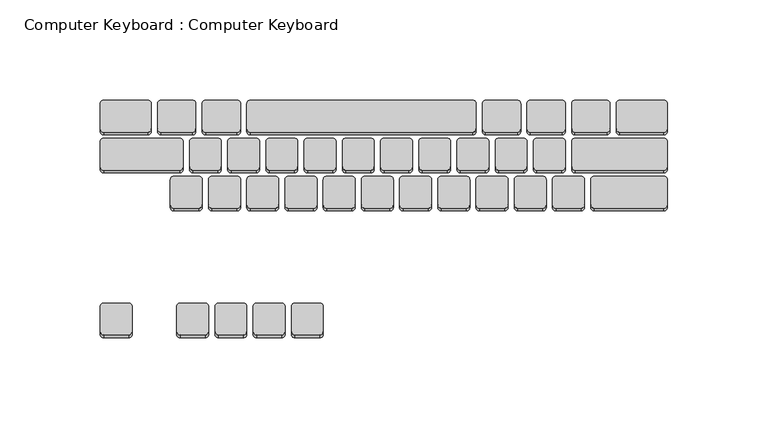
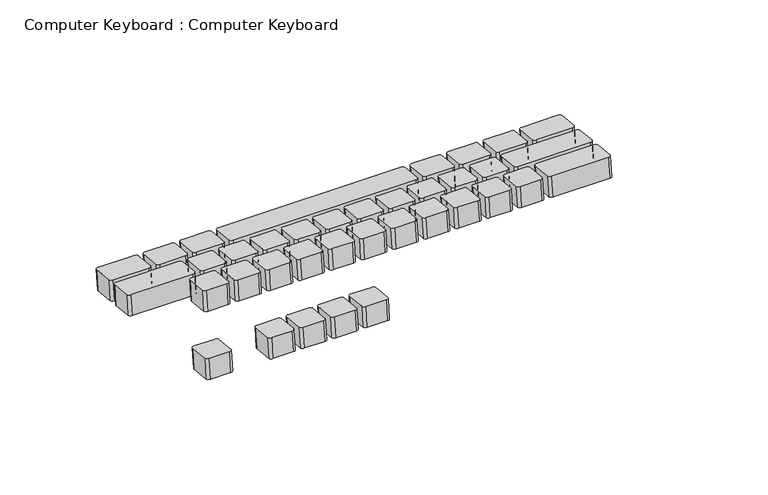
"""IFC4 building model written with IfcOpenShell, lengths in millimetres: proxy geometry, Computer Keyboard : Computer Keyboard."""

from ifc_helpers import new_model, si_unit, point, frame, frame_2d, origin, place, context, project, spatial, polyline, circle_curve, trimmed, segment, composite_curve, outline, extrude, source, transform, mapped, element, save


def computer_keyboard_computer_keyboard_6151e1ea(model_context):
    return source(origin(), model_context, "Body", "SweptSolid", [
        extrude(outline(composite_curve([segment(polyline([(-1.5875, 1.5875), (-1.5875, 14.2875)]), True, "CONTINUOUS"), segment(trimmed(circle_curve(frame_2d((0.0, 14.2875)), 1.5875), [point((-1.5875, 14.2875))], [point((0.0, 15.875))], False, "CARTESIAN"), True, "CONTINUOUS"), segment(polyline([(0.0, 15.875), (12.7, 15.875)]), True, "CONTINUOUS"), segment(trimmed(circle_curve(frame_2d((12.7, 14.2875)), 1.5875), [point((12.7, 15.875))], [point((14.2875, 14.2875))], False, "CARTESIAN"), True, "CONTINUOUS"), segment(polyline([(14.2875, 14.2875), (14.2875, 1.5875)]), True, "CONTINUOUS"), segment(trimmed(circle_curve(frame_2d((12.7, 1.5875)), 1.5875), [point((14.2875, 1.5875))], [point((12.7, 0.0))], False, "CARTESIAN"), True, "CONTINUOUS"), segment(polyline([(12.7, 0.0), (0.0, 0.0)]), True, "CONTINUOUS"), segment(trimmed(circle_curve(frame_2d((0.0, 1.5875)), 1.5875), [point((0.0, 0.0))], [point((-1.5875, 1.5875))], False, "CARTESIAN"), True, "CONTINUOUS")], self_intersect=False)), frame((-240.6875, 227.0615943, 593.6070569), z_axis=(0.0, 0.10653312363427676, 0.9943091539198078), x_axis=(0.0, 0.9943091539198078, -0.10653312363427676)), (0.0, 0.0, 1.0), 12.7),
        extrude(outline(composite_curve([segment(polyline([(-1.5875, 1.5875), (-1.5875, 14.2875)]), True, "CONTINUOUS"), segment(trimmed(circle_curve(frame_2d((0.0, 14.2875)), 1.5875), [point((-1.5875, 14.2875))], [point((0.0, 15.875))], False, "CARTESIAN"), True, "CONTINUOUS"), segment(polyline([(0.0, 15.875), (12.7, 15.875)]), True, "CONTINUOUS"), segment(trimmed(circle_curve(frame_2d((12.7, 14.2875)), 1.5875), [point((12.7, 15.875))], [point((14.2875, 14.2875))], False, "CARTESIAN"), True, "CONTINUOUS"), segment(polyline([(14.2875, 14.2875), (14.2875, 1.5875)]), True, "CONTINUOUS"), segment(trimmed(circle_curve(frame_2d((12.7, 1.5875)), 1.5875), [point((14.2875, 1.5875))], [point((12.7, 0.0))], False, "CARTESIAN"), True, "CONTINUOUS"), segment(polyline([(12.7, 0.0), (0.0, 0.0)]), True, "CONTINUOUS"), segment(trimmed(circle_curve(frame_2d((0.0, 1.5875)), 1.5875), [point((0.0, 0.0))], [point((-1.5875, 1.5875))], False, "CARTESIAN"), True, "CONTINUOUS")], self_intersect=False)), frame((-259.7375, 227.0615943, 593.6070569), z_axis=(0.0, 0.10653312363427676, 0.9943091539198078), x_axis=(0.0, 0.9943091539198078, -0.10653312363427676)), (0.0, 0.0, 1.0), 12.7),
        extrude(outline(composite_curve([segment(polyline([(-1.5875, 1.5875), (-1.5875, 14.2875)]), True, "CONTINUOUS"), segment(trimmed(circle_curve(frame_2d((0.0, 14.2875)), 1.5875), [point((-1.5875, 14.2875))], [point((0.0, 15.875))], False, "CARTESIAN"), True, "CONTINUOUS"), segment(polyline([(0.0, 15.875), (12.7, 15.875)]), True, "CONTINUOUS"), segment(trimmed(circle_curve(frame_2d((12.7, 14.2875)), 1.5875), [point((12.7, 15.875))], [point((14.2875, 14.2875))], False, "CARTESIAN"), True, "CONTINUOUS"), segment(polyline([(14.2875, 14.2875), (14.2875, 1.5875)]), True, "CONTINUOUS"), segment(trimmed(circle_curve(frame_2d((12.7, 1.5875)), 1.5875), [point((14.2875, 1.5875))], [point((12.7, 0.0))], False, "CARTESIAN"), True, "CONTINUOUS"), segment(polyline([(12.7, 0.0), (0.0, 0.0)]), True, "CONTINUOUS"), segment(trimmed(circle_curve(frame_2d((0.0, 1.5875)), 1.5875), [point((0.0, 0.0))], [point((-1.5875, 1.5875))], False, "CARTESIAN"), True, "CONTINUOUS")], self_intersect=False)), frame((-278.7875, 227.0615943, 593.6070569), z_axis=(0.0, 0.10653312363427676, 0.9943091539198078), x_axis=(0.0, 0.9943091539198078, -0.10653312363427676)), (0.0, 0.0, 1.0), 12.7),
        extrude(outline(composite_curve([segment(polyline([(-1.5875, 1.5875), (-1.5875, 14.2875)]), True, "CONTINUOUS"), segment(trimmed(circle_curve(frame_2d((0.0, 14.2875)), 1.5875), [point((-1.5875, 14.2875))], [point((0.0, 15.875))], False, "CARTESIAN"), True, "CONTINUOUS"), segment(polyline([(0.0, 15.875), (12.7, 15.875)]), True, "CONTINUOUS"), segment(trimmed(circle_curve(frame_2d((12.7, 14.2875)), 1.5875), [point((12.7, 15.875))], [point((14.2875, 14.2875))], False, "CARTESIAN"), True, "CONTINUOUS"), segment(polyline([(14.2875, 14.2875), (14.2875, 1.5875)]), True, "CONTINUOUS"), segment(trimmed(circle_curve(frame_2d((12.7, 1.5875)), 1.5875), [point((14.2875, 1.5875))], [point((12.7, 0.0))], False, "CARTESIAN"), True, "CONTINUOUS"), segment(polyline([(12.7, 0.0), (0.0, 0.0)]), True, "CONTINUOUS"), segment(trimmed(circle_curve(frame_2d((0.0, 1.5875)), 1.5875), [point((0.0, 0.0))], [point((-1.5875, 1.5875))], False, "CARTESIAN"), True, "CONTINUOUS")], self_intersect=False)), frame((-297.8375, 227.0615943, 593.6070569), z_axis=(0.0, 0.10653312363427676, 0.9943091539198078), x_axis=(0.0, 0.9943091539198078, -0.10653312363427676)), (0.0, 0.0, 1.0), 12.7),
        extrude(outline(composite_curve([segment(polyline([(-1.5875, 1.5875), (-1.5875, 14.2875)]), True, "CONTINUOUS"), segment(trimmed(circle_curve(frame_2d((0.0, 14.2875)), 1.5875), [point((-1.5875, 14.2875))], [point((0.0, 15.875))], False, "CARTESIAN"), True, "CONTINUOUS"), segment(polyline([(0.0, 15.875), (12.7, 15.875)]), True, "CONTINUOUS"), segment(trimmed(circle_curve(frame_2d((12.7, 14.2875)), 1.5875), [point((12.7, 15.875))], [point((14.2875, 14.2875))], False, "CARTESIAN"), True, "CONTINUOUS"), segment(polyline([(14.2875, 14.2875), (14.2875, 1.5875)]), True, "CONTINUOUS"), segment(trimmed(circle_curve(frame_2d((12.7, 1.5875)), 1.5875), [point((14.2875, 1.5875))], [point((12.7, 0.0))], False, "CARTESIAN"), True, "CONTINUOUS"), segment(polyline([(12.7, 0.0), (0.0, 0.0)]), True, "CONTINUOUS"), segment(trimmed(circle_curve(frame_2d((0.0, 1.5875)), 1.5875), [point((0.0, 0.0))], [point((-1.5875, 1.5875))], False, "CARTESIAN"), True, "CONTINUOUS")], self_intersect=False)), frame((-335.9375, 227.0615943, 593.6070569), z_axis=(0.0, 0.10653312363427676, 0.9943091539198078), x_axis=(0.0, 0.9943091539198078, -0.10653312363427676)), (0.0, 0.0, 1.0), 12.7),
        extrude(outline(composite_curve([segment(trimmed(circle_curve(frame_2d((-3.7645759, 1.5874999)), 1.5875), [point((-3.7645759, 0.0))], [point((-5.3520759, 1.5874999))], False, "CARTESIAN"), True, "CONTINUOUS"), segment(polyline([(-5.3520759, 1.5874999), (-5.3520759, 14.2875)]), True, "CONTINUOUS"), segment(trimmed(circle_curve(frame_2d((-3.7645759, 14.2875)), 1.5875), [point((-5.3520759, 14.2875))], [point((-3.7645759, 15.875))], False, "CARTESIAN"), True, "CONTINUOUS"), segment(polyline([(-3.7645759, 15.875), (12.1104241, 15.875)]), True, "CONTINUOUS"), segment(trimmed(circle_curve(frame_2d((12.1104241, 14.2875)), 1.5875), [point((12.1104241, 15.875))], [point((13.6979241, 14.2875))], False, "CARTESIAN"), True, "CONTINUOUS"), segment(polyline([(13.6979241, 14.2875), (13.6979241, 1.5874999)]), True, "CONTINUOUS"), segment(trimmed(circle_curve(frame_2d((12.1104241, 1.5874999)), 1.5875), [point((13.6979241, 1.5874999))], [point((12.1104241, 0.0))], False, "CARTESIAN"), True, "CONTINUOUS"), segment(polyline([(12.1104241, 0.0), (-3.7645759, 0.0)]), True, "CONTINUOUS")], self_intersect=False)), frame((-155.9604241, 326.5049386, 582.9524129), z_axis=(0.0, 0.10653312363427676, 0.9943091539198078), x_axis=(1.0, 0.0, 0.0)), (0.0, 0.0, 1.0), 12.7),
        extrude(outline(composite_curve([segment(trimmed(circle_curve(frame_2d((-3.7645759, 1.5874999)), 1.5875), [point((-3.7645759, 0.0))], [point((-5.3520759, 1.5874999))], False, "CARTESIAN"), True, "CONTINUOUS"), segment(polyline([(-5.3520759, 1.5874999), (-5.3520759, 14.2875)]), True, "CONTINUOUS"), segment(trimmed(circle_curve(frame_2d((-3.7645759, 14.2875)), 1.5875), [point((-5.3520759, 14.2875))], [point((-3.7645759, 15.875))], False, "CARTESIAN"), True, "CONTINUOUS"), segment(polyline([(-3.7645759, 15.875), (12.1104241, 15.875)]), True, "CONTINUOUS"), segment(trimmed(circle_curve(frame_2d((12.1104241, 14.2875)), 1.5875), [point((12.1104241, 15.875))], [point((13.6979241, 14.2875))], False, "CARTESIAN"), True, "CONTINUOUS"), segment(polyline([(13.6979241, 14.2875), (13.6979241, 1.5874999)]), True, "CONTINUOUS"), segment(trimmed(circle_curve(frame_2d((12.1104241, 1.5874999)), 1.5875), [point((13.6979241, 1.5874999))], [point((12.1104241, 0.0))], False, "CARTESIAN"), True, "CONTINUOUS"), segment(polyline([(12.1104241, 0.0), (-3.7645759, 0.0)]), True, "CONTINUOUS")], self_intersect=False)), frame((-133.7354241, 326.5049386, 582.9524129), z_axis=(0.0, 0.10653312363427676, 0.9943091539198078), x_axis=(1.0, 0.0, 0.0)), (0.0, 0.0, 1.0), 12.7),
        extrude(outline(composite_curve([segment(trimmed(circle_curve(frame_2d((-3.7645759, 1.5874999)), 1.5875), [point((-3.7645759, 0.0))], [point((-5.3520759, 1.5874999))], False, "CARTESIAN"), True, "CONTINUOUS"), segment(polyline([(-5.3520759, 1.5874999), (-5.3520759, 14.2875)]), True, "CONTINUOUS"), segment(trimmed(circle_curve(frame_2d((-3.7645759, 14.2875)), 1.5875), [point((-5.3520759, 14.2875))], [point((-3.7645759, 15.875))], False, "CARTESIAN"), True, "CONTINUOUS"), segment(polyline([(-3.7645759, 15.875), (12.1104241, 15.875)]), True, "CONTINUOUS"), segment(trimmed(circle_curve(frame_2d((12.1104241, 14.2875)), 1.5875), [point((12.1104241, 15.875))], [point((13.6979241, 14.2875))], False, "CARTESIAN"), True, "CONTINUOUS"), segment(polyline([(13.6979241, 14.2875), (13.6979241, 1.5874999)]), True, "CONTINUOUS"), segment(trimmed(circle_curve(frame_2d((12.1104241, 1.5874999)), 1.5875), [point((13.6979241, 1.5874999))], [point((12.1104241, 0.0))], False, "CARTESIAN"), True, "CONTINUOUS"), segment(polyline([(12.1104241, 0.0), (-3.7645759, 0.0)]), True, "CONTINUOUS")], self_intersect=False)), frame((-111.5104241, 326.5049386, 582.9524129), z_axis=(0.0, 0.10653312363427676, 0.9943091539198078), x_axis=(1.0, 0.0, 0.0)), (0.0, 0.0, 1.0), 12.7),
        extrude(outline(composite_curve([segment(polyline([(-1.5874999, 1.5875), (-1.5874999, 23.8125)]), True, "CONTINUOUS"), segment(trimmed(circle_curve(frame_2d((0.0, 23.8125)), 1.5875), [point((-1.5874999, 23.8125))], [point((0.0, 25.4))], False, "CARTESIAN"), True, "CONTINUOUS"), segment(polyline([(0.0, 25.4), (12.7, 25.4)]), True, "CONTINUOUS"), segment(trimmed(circle_curve(frame_2d((12.7, 23.8125)), 1.5875), [point((12.7, 25.4))], [point((14.2875001, 23.8125))], False, "CARTESIAN"), True, "CONTINUOUS"), segment(polyline([(14.2875001, 23.8125), (14.2875001, 1.5875)]), True, "CONTINUOUS"), segment(trimmed(circle_curve(frame_2d((12.7, 1.5875)), 1.5875), [point((14.2875001, 1.5875))], [point((12.7, 0.0))], False, "CARTESIAN"), True, "CONTINUOUS"), segment(polyline([(12.7, 0.0), (0.0, 0.0)]), True, "CONTINUOUS"), segment(trimmed(circle_curve(frame_2d((0.0, 1.5875)), 1.5875), [point((0.0, 0.0))], [point((-1.5874999, 1.5875))], False, "CARTESIAN"), True, "CONTINUOUS")], self_intersect=False)), frame((-69.2375, 328.0834043, 582.7832916), z_axis=(0.0, 0.10653312363427676, 0.9943091539198078), x_axis=(0.0, 0.9943091539198078, -0.10653312363427676)), (0.0, 0.0, 1.0), 12.7),
        extrude(outline(composite_curve([segment(polyline([(-1.5874999, 1.5875), (-1.5874999, 112.7125)]), True, "CONTINUOUS"), segment(trimmed(circle_curve(frame_2d((0.0, 112.7125)), 1.5875), [point((-1.5874999, 112.7125))], [point((0.0, 114.3))], False, "CARTESIAN"), True, "CONTINUOUS"), segment(polyline([(0.0, 114.3), (12.7, 114.3)]), True, "CONTINUOUS"), segment(trimmed(circle_curve(frame_2d((12.7, 112.7125)), 1.5875), [point((12.7, 114.3))], [point((14.2875001, 112.7125))], False, "CARTESIAN"), True, "CONTINUOUS"), segment(polyline([(14.2875001, 112.7125), (14.2875001, 1.5875)]), True, "CONTINUOUS"), segment(trimmed(circle_curve(frame_2d((12.7, 1.5875)), 1.5875), [point((14.2875001, 1.5875))], [point((12.7, 0.0))], False, "CARTESIAN"), True, "CONTINUOUS"), segment(polyline([(12.7, 0.0), (0.0, 0.0)]), True, "CONTINUOUS"), segment(trimmed(circle_curve(frame_2d((0.0, 1.5875)), 1.5875), [point((0.0, 0.0))], [point((-1.5874999, 1.5875))], False, "CARTESIAN"), True, "CONTINUOUS")], self_intersect=False)), frame((-164.4875, 328.0834043, 582.7832916), z_axis=(0.0, 0.10653312363427676, 0.9943091539198078), x_axis=(0.0, 0.9943091539198078, -0.10653312363427676)), (0.0, 0.0, 1.0), 12.7),
        extrude(outline(composite_curve([segment(polyline([(-1.5874999, 1.5875), (-1.5874999, 17.4625)]), True, "CONTINUOUS"), segment(trimmed(circle_curve(frame_2d((0.0, 17.4625)), 1.5875), [point((-1.5874999, 17.4625))], [point((0.0, 19.05))], False, "CARTESIAN"), True, "CONTINUOUS"), segment(polyline([(0.0, 19.05), (12.7, 19.05)]), True, "CONTINUOUS"), segment(trimmed(circle_curve(frame_2d((12.7, 17.4625)), 1.5875), [point((12.7, 19.05))], [point((14.2875001, 17.4625))], False, "CARTESIAN"), True, "CONTINUOUS"), segment(polyline([(14.2875001, 17.4625), (14.2875001, 1.5875)]), True, "CONTINUOUS"), segment(trimmed(circle_curve(frame_2d((12.7, 1.5875)), 1.5875), [point((14.2875001, 1.5875))], [point((12.7, 0.0))], False, "CARTESIAN"), True, "CONTINUOUS"), segment(polyline([(12.7, 0.0), (0.0, 0.0)]), True, "CONTINUOUS"), segment(trimmed(circle_curve(frame_2d((0.0, 1.5875)), 1.5875), [point((0.0, 0.0))], [point((-1.5874999, 1.5875))], False, "CARTESIAN"), True, "CONTINUOUS")], self_intersect=False)), frame((-281.9625, 328.0834043, 582.7832916), z_axis=(0.0, 0.10653312363427676, 0.9943091539198078), x_axis=(0.0, 0.9943091539198078, -0.10653312363427676)), (0.0, 0.0, 1.0), 12.7),
        extrude(outline(composite_curve([segment(polyline([(-1.5874999, 1.5875), (-1.5874999, 17.4625)]), True, "CONTINUOUS"), segment(trimmed(circle_curve(frame_2d((0.0, 17.4625)), 1.5875), [point((-1.5874999, 17.4625))], [point((0.0, 19.05))], False, "CARTESIAN"), True, "CONTINUOUS"), segment(polyline([(0.0, 19.05), (12.7, 19.05)]), True, "CONTINUOUS"), segment(trimmed(circle_curve(frame_2d((12.7, 17.4625)), 1.5875), [point((12.7, 19.05))], [point((14.2875001, 17.4625))], False, "CARTESIAN"), True, "CONTINUOUS"), segment(polyline([(14.2875001, 17.4625), (14.2875001, 1.5875)]), True, "CONTINUOUS"), segment(trimmed(circle_curve(frame_2d((12.7, 1.5875)), 1.5875), [point((14.2875001, 1.5875))], [point((12.7, 0.0))], False, "CARTESIAN"), True, "CONTINUOUS"), segment(polyline([(12.7, 0.0), (0.0, 0.0)]), True, "CONTINUOUS"), segment(trimmed(circle_curve(frame_2d((0.0, 1.5875)), 1.5875), [point((0.0, 0.0))], [point((-1.5874999, 1.5875))], False, "CARTESIAN"), True, "CONTINUOUS")], self_intersect=False)), frame((-304.1875, 328.0834043, 582.7832916), z_axis=(0.0, 0.10653312363427676, 0.9943091539198078), x_axis=(0.0, 0.9943091539198078, -0.10653312363427676)), (0.0, 0.0, 1.0), 12.7),
        extrude(outline(composite_curve([segment(polyline([(-1.5874999, 1.5875), (-1.5874999, 23.8125)]), True, "CONTINUOUS"), segment(trimmed(circle_curve(frame_2d((0.0, 23.8125)), 1.5875), [point((-1.5874999, 23.8125))], [point((0.0, 25.4))], False, "CARTESIAN"), True, "CONTINUOUS"), segment(polyline([(0.0, 25.4), (12.7, 25.4)]), True, "CONTINUOUS"), segment(trimmed(circle_curve(frame_2d((12.7, 23.8125)), 1.5875), [point((12.7, 25.4))], [point((14.2875001, 23.8125))], False, "CARTESIAN"), True, "CONTINUOUS"), segment(polyline([(14.2875001, 23.8125), (14.2875001, 1.5875)]), True, "CONTINUOUS"), segment(trimmed(circle_curve(frame_2d((12.7, 1.5875)), 1.5875), [point((14.2875001, 1.5875))], [point((12.7, 0.0))], False, "CARTESIAN"), True, "CONTINUOUS"), segment(polyline([(12.7, 0.0), (0.0, 0.0)]), True, "CONTINUOUS"), segment(trimmed(circle_curve(frame_2d((0.0, 1.5875)), 1.5875), [point((0.0, 0.0))], [point((-1.5874999, 1.5875))], False, "CARTESIAN"), True, "CONTINUOUS")], self_intersect=False)), frame((-326.4125, 328.0834043, 582.7832916), z_axis=(0.0, 0.10653312363427676, 0.9943091539198078), x_axis=(0.0, 0.9943091539198078, -0.10653312363427676)), (0.0, 0.0, 1.0), 12.7),
        extrude(outline(composite_curve([segment(polyline([(-1.5875, 1.5875), (-1.5875, 46.0375)]), True, "CONTINUOUS"), segment(trimmed(circle_curve(frame_2d((0.0, 46.0375)), 1.5875), [point((-1.5875, 46.0375))], [point((0.0, 47.625))], False, "CARTESIAN"), True, "CONTINUOUS"), segment(polyline([(0.0, 47.625), (12.6999999, 47.625)]), True, "CONTINUOUS"), segment(trimmed(circle_curve(frame_2d((12.6999999, 46.0375)), 1.5875), [point((12.6999999, 47.625))], [point((14.2875, 46.0375))], False, "CARTESIAN"), True, "CONTINUOUS"), segment(polyline([(14.2875, 46.0375), (14.2875, 1.5875)]), True, "CONTINUOUS"), segment(trimmed(circle_curve(frame_2d((12.6999999, 1.5875)), 1.5875), [point((14.2875, 1.5875))], [point((12.6999999, 0.0))], False, "CARTESIAN"), True, "CONTINUOUS"), segment(polyline([(12.6999999, 0.0), (0.0, 0.0)]), True, "CONTINUOUS"), segment(trimmed(circle_curve(frame_2d((0.0, 1.5875)), 1.5875), [point((0.0, 0.0))], [point((-1.5875, 1.5875))], False, "CARTESIAN"), True, "CONTINUOUS")], self_intersect=False)), frame((-69.2375, 309.141815, 584.8127476), z_axis=(0.0, 0.10653312363427676, 0.9943091539198078), x_axis=(0.0, 0.9943091539198078, -0.10653312363427676)), (0.0, 0.0, 1.0), 12.7),
        extrude(outline(composite_curve([segment(polyline([(-1.5875, 1.5875), (-1.5875, 14.2875)]), True, "CONTINUOUS"), segment(trimmed(circle_curve(frame_2d((0.0, 14.2875)), 1.5875), [point((-1.5875, 14.2875))], [point((0.0, 15.875))], False, "CARTESIAN"), True, "CONTINUOUS"), segment(polyline([(0.0, 15.875), (12.6999999, 15.875)]), True, "CONTINUOUS"), segment(trimmed(circle_curve(frame_2d((12.6999999, 14.2875)), 1.5875), [point((12.6999999, 15.875))], [point((14.2875, 14.2875))], False, "CARTESIAN"), True, "CONTINUOUS"), segment(polyline([(14.2875, 14.2875), (14.2875, 1.5875)]), True, "CONTINUOUS"), segment(trimmed(circle_curve(frame_2d((12.6999999, 1.5875)), 1.5875), [point((14.2875, 1.5875))], [point((12.6999999, 0.0))], False, "CARTESIAN"), True, "CONTINUOUS"), segment(polyline([(12.6999999, 0.0), (0.0, 0.0)]), True, "CONTINUOUS"), segment(trimmed(circle_curve(frame_2d((0.0, 1.5875)), 1.5875), [point((0.0, 0.0))], [point((-1.5875, 1.5875))], False, "CARTESIAN"), True, "CONTINUOUS")], self_intersect=False)), frame((-120.0375, 309.141815, 584.8127476), z_axis=(0.0, 0.10653312363427676, 0.9943091539198078), x_axis=(0.0, 0.9943091539198078, -0.10653312363427676)), (0.0, 0.0, 1.0), 12.7),
        extrude(outline(composite_curve([segment(polyline([(-1.5875, 1.5875), (-1.5875, 14.2875)]), True, "CONTINUOUS"), segment(trimmed(circle_curve(frame_2d((0.0, 14.2875)), 1.5875), [point((-1.5875, 14.2875))], [point((0.0, 15.875))], False, "CARTESIAN"), True, "CONTINUOUS"), segment(polyline([(0.0, 15.875), (12.6999999, 15.875)]), True, "CONTINUOUS"), segment(trimmed(circle_curve(frame_2d((12.6999999, 14.2875)), 1.5875), [point((12.6999999, 15.875))], [point((14.2875, 14.2875))], False, "CARTESIAN"), True, "CONTINUOUS"), segment(polyline([(14.2875, 14.2875), (14.2875, 1.5875)]), True, "CONTINUOUS"), segment(trimmed(circle_curve(frame_2d((12.6999999, 1.5875)), 1.5875), [point((14.2875, 1.5875))], [point((12.6999999, 0.0))], False, "CARTESIAN"), True, "CONTINUOUS"), segment(polyline([(12.6999999, 0.0), (0.0, 0.0)]), True, "CONTINUOUS"), segment(trimmed(circle_curve(frame_2d((0.0, 1.5875)), 1.5875), [point((0.0, 0.0))], [point((-1.5875, 1.5875))], False, "CARTESIAN"), True, "CONTINUOUS")], self_intersect=False)), frame((-139.0875, 309.141815, 584.8127476), z_axis=(0.0, 0.10653312363427676, 0.9943091539198078), x_axis=(0.0, 0.9943091539198078, -0.10653312363427676)), (0.0, 0.0, 1.0), 12.7),
        extrude(outline(composite_curve([segment(polyline([(-1.5875, 1.5875), (-1.5875, 14.2875)]), True, "CONTINUOUS"), segment(trimmed(circle_curve(frame_2d((0.0, 14.2875)), 1.5875), [point((-1.5875, 14.2875))], [point((0.0, 15.875))], False, "CARTESIAN"), True, "CONTINUOUS"), segment(polyline([(0.0, 15.875), (12.6999999, 15.875)]), True, "CONTINUOUS"), segment(trimmed(circle_curve(frame_2d((12.6999999, 14.2875)), 1.5875), [point((12.6999999, 15.875))], [point((14.2875, 14.2875))], False, "CARTESIAN"), True, "CONTINUOUS"), segment(polyline([(14.2875, 14.2875), (14.2875, 1.5875)]), True, "CONTINUOUS"), segment(trimmed(circle_curve(frame_2d((12.6999999, 1.5875)), 1.5875), [point((14.2875, 1.5875))], [point((12.6999999, 0.0))], False, "CARTESIAN"), True, "CONTINUOUS"), segment(polyline([(12.6999999, 0.0), (0.0, 0.0)]), True, "CONTINUOUS"), segment(trimmed(circle_curve(frame_2d((0.0, 1.5875)), 1.5875), [point((0.0, 0.0))], [point((-1.5875, 1.5875))], False, "CARTESIAN"), True, "CONTINUOUS")], self_intersect=False)), frame((-158.1375, 309.141815, 584.8127476), z_axis=(0.0, 0.10653312363427676, 0.9943091539198078), x_axis=(0.0, 0.9943091539198078, -0.10653312363427676)), (0.0, 0.0, 1.0), 12.7),
        extrude(outline(composite_curve([segment(polyline([(-1.5875, 1.5875), (-1.5875, 14.2875)]), True, "CONTINUOUS"), segment(trimmed(circle_curve(frame_2d((0.0, 14.2875)), 1.5875), [point((-1.5875, 14.2875))], [point((0.0, 15.875))], False, "CARTESIAN"), True, "CONTINUOUS"), segment(polyline([(0.0, 15.875), (12.6999999, 15.875)]), True, "CONTINUOUS"), segment(trimmed(circle_curve(frame_2d((12.6999999, 14.2875)), 1.5875), [point((12.6999999, 15.875))], [point((14.2875, 14.2875))], False, "CARTESIAN"), True, "CONTINUOUS"), segment(polyline([(14.2875, 14.2875), (14.2875, 1.5875)]), True, "CONTINUOUS"), segment(trimmed(circle_curve(frame_2d((12.6999999, 1.5875)), 1.5875), [point((14.2875, 1.5875))], [point((12.6999999, 0.0))], False, "CARTESIAN"), True, "CONTINUOUS"), segment(polyline([(12.6999999, 0.0), (0.0, 0.0)]), True, "CONTINUOUS"), segment(trimmed(circle_curve(frame_2d((0.0, 1.5875)), 1.5875), [point((0.0, 0.0))], [point((-1.5875, 1.5875))], False, "CARTESIAN"), True, "CONTINUOUS")], self_intersect=False)), frame((-177.1875, 309.141815, 584.8127476), z_axis=(0.0, 0.10653312363427676, 0.9943091539198078), x_axis=(0.0, 0.9943091539198078, -0.10653312363427676)), (0.0, 0.0, 1.0), 12.7),
        extrude(outline(composite_curve([segment(polyline([(-1.5875, 1.5875), (-1.5875, 14.2875)]), True, "CONTINUOUS"), segment(trimmed(circle_curve(frame_2d((0.0, 14.2875)), 1.5875), [point((-1.5875, 14.2875))], [point((0.0, 15.875))], False, "CARTESIAN"), True, "CONTINUOUS"), segment(polyline([(0.0, 15.875), (12.6999999, 15.875)]), True, "CONTINUOUS"), segment(trimmed(circle_curve(frame_2d((12.6999999, 14.2875)), 1.5875), [point((12.6999999, 15.875))], [point((14.2875, 14.2875))], False, "CARTESIAN"), True, "CONTINUOUS"), segment(polyline([(14.2875, 14.2875), (14.2875, 1.5875)]), True, "CONTINUOUS"), segment(trimmed(circle_curve(frame_2d((12.6999999, 1.5875)), 1.5875), [point((14.2875, 1.5875))], [point((12.6999999, 0.0))], False, "CARTESIAN"), True, "CONTINUOUS"), segment(polyline([(12.6999999, 0.0), (0.0, 0.0)]), True, "CONTINUOUS"), segment(trimmed(circle_curve(frame_2d((0.0, 1.5875)), 1.5875), [point((0.0, 0.0))], [point((-1.5875, 1.5875))], False, "CARTESIAN"), True, "CONTINUOUS")], self_intersect=False)), frame((-196.2375, 309.141815, 584.8127476), z_axis=(0.0, 0.10653312363427676, 0.9943091539198078), x_axis=(0.0, 0.9943091539198078, -0.10653312363427676)), (0.0, 0.0, 1.0), 12.7),
        extrude(outline(composite_curve([segment(polyline([(-1.5875, 1.5875), (-1.5875, 14.2875)]), True, "CONTINUOUS"), segment(trimmed(circle_curve(frame_2d((0.0, 14.2875)), 1.5875), [point((-1.5875, 14.2875))], [point((0.0, 15.875))], False, "CARTESIAN"), True, "CONTINUOUS"), segment(polyline([(0.0, 15.875), (12.6999999, 15.875)]), True, "CONTINUOUS"), segment(trimmed(circle_curve(frame_2d((12.6999999, 14.2875)), 1.5875), [point((12.6999999, 15.875))], [point((14.2875, 14.2875))], False, "CARTESIAN"), True, "CONTINUOUS"), segment(polyline([(14.2875, 14.2875), (14.2875, 1.5875)]), True, "CONTINUOUS"), segment(trimmed(circle_curve(frame_2d((12.6999999, 1.5875)), 1.5875), [point((14.2875, 1.5875))], [point((12.6999999, 0.0))], False, "CARTESIAN"), True, "CONTINUOUS"), segment(polyline([(12.6999999, 0.0), (0.0, 0.0)]), True, "CONTINUOUS"), segment(trimmed(circle_curve(frame_2d((0.0, 1.5875)), 1.5875), [point((0.0, 0.0))], [point((-1.5875, 1.5875))], False, "CARTESIAN"), True, "CONTINUOUS")], self_intersect=False)), frame((-215.2875, 309.141815, 584.8127476), z_axis=(0.0, 0.10653312363427676, 0.9943091539198078), x_axis=(0.0, 0.9943091539198078, -0.10653312363427676)), (0.0, 0.0, 1.0), 12.7),
        extrude(outline(composite_curve([segment(polyline([(-1.5875, 1.5875), (-1.5875, 14.2875)]), True, "CONTINUOUS"), segment(trimmed(circle_curve(frame_2d((0.0, 14.2875)), 1.5875), [point((-1.5875, 14.2875))], [point((0.0, 15.875))], False, "CARTESIAN"), True, "CONTINUOUS"), segment(polyline([(0.0, 15.875), (12.6999999, 15.875)]), True, "CONTINUOUS"), segment(trimmed(circle_curve(frame_2d((12.6999999, 14.2875)), 1.5875), [point((12.6999999, 15.875))], [point((14.2875, 14.2875))], False, "CARTESIAN"), True, "CONTINUOUS"), segment(polyline([(14.2875, 14.2875), (14.2875, 1.5875)]), True, "CONTINUOUS"), segment(trimmed(circle_curve(frame_2d((12.6999999, 1.5875)), 1.5875), [point((14.2875, 1.5875))], [point((12.6999999, 0.0))], False, "CARTESIAN"), True, "CONTINUOUS"), segment(polyline([(12.6999999, 0.0), (0.0, 0.0)]), True, "CONTINUOUS"), segment(trimmed(circle_curve(frame_2d((0.0, 1.5875)), 1.5875), [point((0.0, 0.0))], [point((-1.5875, 1.5875))], False, "CARTESIAN"), True, "CONTINUOUS")], self_intersect=False)), frame((-234.3375, 309.141815, 584.8127476), z_axis=(0.0, 0.10653312363427676, 0.9943091539198078), x_axis=(0.0, 0.9943091539198078, -0.10653312363427676)), (0.0, 0.0, 1.0), 12.7),
        extrude(outline(composite_curve([segment(polyline([(-1.5875, 1.5875), (-1.5875, 14.2875)]), True, "CONTINUOUS"), segment(trimmed(circle_curve(frame_2d((0.0, 14.2875)), 1.5875), [point((-1.5875, 14.2875))], [point((0.0, 15.875))], False, "CARTESIAN"), True, "CONTINUOUS"), segment(polyline([(0.0, 15.875), (12.6999999, 15.875)]), True, "CONTINUOUS"), segment(trimmed(circle_curve(frame_2d((12.6999999, 14.2875)), 1.5875), [point((12.6999999, 15.875))], [point((14.2875, 14.2875))], False, "CARTESIAN"), True, "CONTINUOUS"), segment(polyline([(14.2875, 14.2875), (14.2875, 1.5875)]), True, "CONTINUOUS"), segment(trimmed(circle_curve(frame_2d((12.6999999, 1.5875)), 1.5875), [point((14.2875, 1.5875))], [point((12.6999999, 0.0))], False, "CARTESIAN"), True, "CONTINUOUS"), segment(polyline([(12.6999999, 0.0), (0.0, 0.0)]), True, "CONTINUOUS"), segment(trimmed(circle_curve(frame_2d((0.0, 1.5875)), 1.5875), [point((0.0, 0.0))], [point((-1.5875, 1.5875))], False, "CARTESIAN"), True, "CONTINUOUS")], self_intersect=False)), frame((-253.3875, 309.141815, 584.8127476), z_axis=(0.0, 0.10653312363427676, 0.9943091539198078), x_axis=(0.0, 0.9943091539198078, -0.10653312363427676)), (0.0, 0.0, 1.0), 12.7),
        extrude(outline(composite_curve([segment(polyline([(-1.5875, 1.5875), (-1.5875, 14.2875)]), True, "CONTINUOUS"), segment(trimmed(circle_curve(frame_2d((0.0, 14.2875)), 1.5875), [point((-1.5875, 14.2875))], [point((0.0, 15.875))], False, "CARTESIAN"), True, "CONTINUOUS"), segment(polyline([(0.0, 15.875), (12.6999999, 15.875)]), True, "CONTINUOUS"), segment(trimmed(circle_curve(frame_2d((12.6999999, 14.2875)), 1.5875), [point((12.6999999, 15.875))], [point((14.2875, 14.2875))], False, "CARTESIAN"), True, "CONTINUOUS"), segment(polyline([(14.2875, 14.2875), (14.2875, 1.5875)]), True, "CONTINUOUS"), segment(trimmed(circle_curve(frame_2d((12.6999999, 1.5875)), 1.5875), [point((14.2875, 1.5875))], [point((12.6999999, 0.0))], False, "CARTESIAN"), True, "CONTINUOUS"), segment(polyline([(12.6999999, 0.0), (0.0, 0.0)]), True, "CONTINUOUS"), segment(trimmed(circle_curve(frame_2d((0.0, 1.5875)), 1.5875), [point((0.0, 0.0))], [point((-1.5875, 1.5875))], False, "CARTESIAN"), True, "CONTINUOUS")], self_intersect=False)), frame((-272.4375, 309.141815, 584.8127476), z_axis=(0.0, 0.10653312363427676, 0.9943091539198078), x_axis=(0.0, 0.9943091539198078, -0.10653312363427676)), (0.0, 0.0, 1.0), 12.7),
        extrude(outline(composite_curve([segment(polyline([(-1.5875, 1.5875), (-1.5875, 14.2875)]), True, "CONTINUOUS"), segment(trimmed(circle_curve(frame_2d((0.0, 14.2875)), 1.5875), [point((-1.5875, 14.2875))], [point((0.0, 15.875))], False, "CARTESIAN"), True, "CONTINUOUS"), segment(polyline([(0.0, 15.875), (12.6999999, 15.875)]), True, "CONTINUOUS"), segment(trimmed(circle_curve(frame_2d((12.6999999, 14.2875)), 1.5875), [point((12.6999999, 15.875))], [point((14.2875, 14.2875))], False, "CARTESIAN"), True, "CONTINUOUS"), segment(polyline([(14.2875, 14.2875), (14.2875, 1.5875)]), True, "CONTINUOUS"), segment(trimmed(circle_curve(frame_2d((12.6999999, 1.5875)), 1.5875), [point((14.2875, 1.5875))], [point((12.6999999, 0.0))], False, "CARTESIAN"), True, "CONTINUOUS"), segment(polyline([(12.6999999, 0.0), (0.0, 0.0)]), True, "CONTINUOUS"), segment(trimmed(circle_curve(frame_2d((0.0, 1.5875)), 1.5875), [point((0.0, 0.0))], [point((-1.5875, 1.5875))], False, "CARTESIAN"), True, "CONTINUOUS")], self_intersect=False)), frame((-291.4875, 309.141815, 584.8127476), z_axis=(0.0, 0.10653312363427676, 0.9943091539198078), x_axis=(0.0, 0.9943091539198078, -0.10653312363427676)), (0.0, 0.0, 1.0), 12.7),
        extrude(outline(composite_curve([segment(polyline([(-1.5875, 1.5875), (-1.5875, 39.6875)]), True, "CONTINUOUS"), segment(trimmed(circle_curve(frame_2d((0.0, 39.6875)), 1.5875), [point((-1.5875, 39.6875))], [point((0.0, 41.275))], False, "CARTESIAN"), True, "CONTINUOUS"), segment(polyline([(0.0, 41.275), (12.6999999, 41.275)]), True, "CONTINUOUS"), segment(trimmed(circle_curve(frame_2d((12.6999999, 39.6875)), 1.5875), [point((12.6999999, 41.275))], [point((14.2875, 39.6875))], False, "CARTESIAN"), True, "CONTINUOUS"), segment(polyline([(14.2875, 39.6875), (14.2875, 1.5875)]), True, "CONTINUOUS"), segment(trimmed(circle_curve(frame_2d((12.6999999, 1.5875)), 1.5875), [point((14.2875, 1.5875))], [point((12.6999999, 0.0))], False, "CARTESIAN"), True, "CONTINUOUS"), segment(polyline([(12.6999999, 0.0), (0.0, 0.0)]), True, "CONTINUOUS"), segment(trimmed(circle_curve(frame_2d((0.0, 1.5875)), 1.5875), [point((0.0, 0.0))], [point((-1.5875, 1.5875))], False, "CARTESIAN"), True, "CONTINUOUS")], self_intersect=False)), frame((-310.5375, 309.141815, 584.8127476), z_axis=(0.0, 0.10653312363427676, 0.9943091539198078), x_axis=(0.0, 0.9943091539198078, -0.10653312363427676)), (0.0, 0.0, 1.0), 12.7),
        extrude(outline(composite_curve([segment(polyline([(-1.5875, 1.5875), (-1.5875, 36.5125)]), True, "CONTINUOUS"), segment(trimmed(circle_curve(frame_2d((0.0, 36.5125)), 1.5875), [point((-1.5875, 36.5125))], [point((0.0, 38.1))], False, "CARTESIAN"), True, "CONTINUOUS"), segment(polyline([(0.0, 38.1), (12.6999999, 38.1)]), True, "CONTINUOUS"), segment(trimmed(circle_curve(frame_2d((12.6999999, 36.5125)), 1.5875), [point((12.6999999, 38.1))], [point((14.2875, 36.5125))], False, "CARTESIAN"), True, "CONTINUOUS"), segment(polyline([(14.2875, 36.5125), (14.2875, 1.5875)]), True, "CONTINUOUS"), segment(trimmed(circle_curve(frame_2d((12.6999999, 1.5875)), 1.5875), [point((14.2875, 1.5875))], [point((12.6999999, 0.0))], False, "CARTESIAN"), True, "CONTINUOUS"), segment(polyline([(12.6999999, 0.0), (0.0, 0.0)]), True, "CONTINUOUS"), segment(trimmed(circle_curve(frame_2d((0.0, 1.5875)), 1.5875), [point((0.0, 0.0))], [point((-1.5875, 1.5875))], False, "CARTESIAN"), True, "CONTINUOUS")], self_intersect=False)), frame((-69.2375, 290.2002256, 586.8422036), z_axis=(0.0, 0.10653312363427676, 0.9943091539198078), x_axis=(0.0, 0.9943091539198078, -0.10653312363427676)), (0.0, 0.0, 1.0), 12.7),
        extrude(outline(composite_curve([segment(polyline([(-1.5875, 1.5875), (-1.5875, 14.2875)]), True, "CONTINUOUS"), segment(trimmed(circle_curve(frame_2d((0.0, 14.2875)), 1.5875), [point((-1.5875, 14.2875))], [point((0.0, 15.875))], False, "CARTESIAN"), True, "CONTINUOUS"), segment(polyline([(0.0, 15.875), (12.6999999, 15.875)]), True, "CONTINUOUS"), segment(trimmed(circle_curve(frame_2d((12.6999999, 14.2875)), 1.5875), [point((12.6999999, 15.875))], [point((14.2875, 14.2875))], False, "CARTESIAN"), True, "CONTINUOUS"), segment(polyline([(14.2875, 14.2875), (14.2875, 1.5875)]), True, "CONTINUOUS"), segment(trimmed(circle_curve(frame_2d((12.6999999, 1.5875)), 1.5875), [point((14.2875, 1.5875))], [point((12.6999999, 0.0))], False, "CARTESIAN"), True, "CONTINUOUS"), segment(polyline([(12.6999999, 0.0), (0.0, 0.0)]), True, "CONTINUOUS"), segment(trimmed(circle_curve(frame_2d((0.0, 1.5875)), 1.5875), [point((0.0, 0.0))], [point((-1.5875, 1.5875))], False, "CARTESIAN"), True, "CONTINUOUS")], self_intersect=False)), frame((-110.5125, 290.2002256, 586.8422036), z_axis=(0.0, 0.10653312363427676, 0.9943091539198078), x_axis=(0.0, 0.9943091539198078, -0.10653312363427676)), (0.0, 0.0, 1.0), 12.7),
        extrude(outline(composite_curve([segment(polyline([(-1.5875, 1.5875), (-1.5875, 14.2875)]), True, "CONTINUOUS"), segment(trimmed(circle_curve(frame_2d((0.0, 14.2875)), 1.5875), [point((-1.5875, 14.2875))], [point((0.0, 15.875))], False, "CARTESIAN"), True, "CONTINUOUS"), segment(polyline([(0.0, 15.875), (12.6999999, 15.875)]), True, "CONTINUOUS"), segment(trimmed(circle_curve(frame_2d((12.6999999, 14.2875)), 1.5875), [point((12.6999999, 15.875))], [point((14.2875, 14.2875))], False, "CARTESIAN"), True, "CONTINUOUS"), segment(polyline([(14.2875, 14.2875), (14.2875, 1.5875)]), True, "CONTINUOUS"), segment(trimmed(circle_curve(frame_2d((12.6999999, 1.5875)), 1.5875), [point((14.2875, 1.5875))], [point((12.6999999, 0.0))], False, "CARTESIAN"), True, "CONTINUOUS"), segment(polyline([(12.6999999, 0.0), (0.0, 0.0)]), True, "CONTINUOUS"), segment(trimmed(circle_curve(frame_2d((0.0, 1.5875)), 1.5875), [point((0.0, 0.0))], [point((-1.5875, 1.5875))], False, "CARTESIAN"), True, "CONTINUOUS")], self_intersect=False)), frame((-129.5625, 290.2002256, 586.8422036), z_axis=(0.0, 0.10653312363427676, 0.9943091539198078), x_axis=(0.0, 0.9943091539198078, -0.10653312363427676)), (0.0, 0.0, 1.0), 12.7),
        extrude(outline(composite_curve([segment(polyline([(-1.5875, 1.5875), (-1.5875, 14.2875)]), True, "CONTINUOUS"), segment(trimmed(circle_curve(frame_2d((0.0, 14.2875)), 1.5875), [point((-1.5875, 14.2875))], [point((0.0, 15.875))], False, "CARTESIAN"), True, "CONTINUOUS"), segment(polyline([(0.0, 15.875), (12.6999999, 15.875)]), True, "CONTINUOUS"), segment(trimmed(circle_curve(frame_2d((12.6999999, 14.2875)), 1.5875), [point((12.6999999, 15.875))], [point((14.2875, 14.2875))], False, "CARTESIAN"), True, "CONTINUOUS"), segment(polyline([(14.2875, 14.2875), (14.2875, 1.5875)]), True, "CONTINUOUS"), segment(trimmed(circle_curve(frame_2d((12.6999999, 1.5875)), 1.5875), [point((14.2875, 1.5875))], [point((12.6999999, 0.0))], False, "CARTESIAN"), True, "CONTINUOUS"), segment(polyline([(12.6999999, 0.0), (0.0, 0.0)]), True, "CONTINUOUS"), segment(trimmed(circle_curve(frame_2d((0.0, 1.5875)), 1.5875), [point((0.0, 0.0))], [point((-1.5875, 1.5875))], False, "CARTESIAN"), True, "CONTINUOUS")], self_intersect=False)), frame((-148.6125, 290.2002256, 586.8422036), z_axis=(0.0, 0.10653312363427676, 0.9943091539198078), x_axis=(0.0, 0.9943091539198078, -0.10653312363427676)), (0.0, 0.0, 1.0), 12.7),
        extrude(outline(composite_curve([segment(polyline([(-1.5875, 1.5875), (-1.5875, 14.2875)]), True, "CONTINUOUS"), segment(trimmed(circle_curve(frame_2d((0.0, 14.2875)), 1.5875), [point((-1.5875, 14.2875))], [point((0.0, 15.875))], False, "CARTESIAN"), True, "CONTINUOUS"), segment(polyline([(0.0, 15.875), (12.6999999, 15.875)]), True, "CONTINUOUS"), segment(trimmed(circle_curve(frame_2d((12.6999999, 14.2875)), 1.5875), [point((12.6999999, 15.875))], [point((14.2875, 14.2875))], False, "CARTESIAN"), True, "CONTINUOUS"), segment(polyline([(14.2875, 14.2875), (14.2875, 1.5875)]), True, "CONTINUOUS"), segment(trimmed(circle_curve(frame_2d((12.6999999, 1.5875)), 1.5875), [point((14.2875, 1.5875))], [point((12.6999999, 0.0))], False, "CARTESIAN"), True, "CONTINUOUS"), segment(polyline([(12.6999999, 0.0), (0.0, 0.0)]), True, "CONTINUOUS"), segment(trimmed(circle_curve(frame_2d((0.0, 1.5875)), 1.5875), [point((0.0, 0.0))], [point((-1.5875, 1.5875))], False, "CARTESIAN"), True, "CONTINUOUS")], self_intersect=False)), frame((-167.6625, 290.2002256, 586.8422036), z_axis=(0.0, 0.10653312363427676, 0.9943091539198078), x_axis=(0.0, 0.9943091539198078, -0.10653312363427676)), (0.0, 0.0, 1.0), 12.7),
        extrude(outline(composite_curve([segment(polyline([(-1.5875, 1.5875), (-1.5875, 14.2875)]), True, "CONTINUOUS"), segment(trimmed(circle_curve(frame_2d((0.0, 14.2875)), 1.5875), [point((-1.5875, 14.2875))], [point((0.0, 15.875))], False, "CARTESIAN"), True, "CONTINUOUS"), segment(polyline([(0.0, 15.875), (12.6999999, 15.875)]), True, "CONTINUOUS"), segment(trimmed(circle_curve(frame_2d((12.6999999, 14.2875)), 1.5875), [point((12.6999999, 15.875))], [point((14.2875, 14.2875))], False, "CARTESIAN"), True, "CONTINUOUS"), segment(polyline([(14.2875, 14.2875), (14.2875, 1.5875)]), True, "CONTINUOUS"), segment(trimmed(circle_curve(frame_2d((12.6999999, 1.5875)), 1.5875), [point((14.2875, 1.5875))], [point((12.6999999, 0.0))], False, "CARTESIAN"), True, "CONTINUOUS"), segment(polyline([(12.6999999, 0.0), (0.0, 0.0)]), True, "CONTINUOUS"), segment(trimmed(circle_curve(frame_2d((0.0, 1.5875)), 1.5875), [point((0.0, 0.0))], [point((-1.5875, 1.5875))], False, "CARTESIAN"), True, "CONTINUOUS")], self_intersect=False)), frame((-186.7125, 290.2002256, 586.8422036), z_axis=(0.0, 0.10653312363427676, 0.9943091539198078), x_axis=(0.0, 0.9943091539198078, -0.10653312363427676)), (0.0, 0.0, 1.0), 12.7),
        extrude(outline(composite_curve([segment(polyline([(-1.5875, 1.5875), (-1.5875, 14.2875)]), True, "CONTINUOUS"), segment(trimmed(circle_curve(frame_2d((0.0, 14.2875)), 1.5875), [point((-1.5875, 14.2875))], [point((0.0, 15.875))], False, "CARTESIAN"), True, "CONTINUOUS"), segment(polyline([(0.0, 15.875), (12.6999999, 15.875)]), True, "CONTINUOUS"), segment(trimmed(circle_curve(frame_2d((12.6999999, 14.2875)), 1.5875), [point((12.6999999, 15.875))], [point((14.2875, 14.2875))], False, "CARTESIAN"), True, "CONTINUOUS"), segment(polyline([(14.2875, 14.2875), (14.2875, 1.5875)]), True, "CONTINUOUS"), segment(trimmed(circle_curve(frame_2d((12.6999999, 1.5875)), 1.5875), [point((14.2875, 1.5875))], [point((12.6999999, 0.0))], False, "CARTESIAN"), True, "CONTINUOUS"), segment(polyline([(12.6999999, 0.0), (0.0, 0.0)]), True, "CONTINUOUS"), segment(trimmed(circle_curve(frame_2d((0.0, 1.5875)), 1.5875), [point((0.0, 0.0))], [point((-1.5875, 1.5875))], False, "CARTESIAN"), True, "CONTINUOUS")], self_intersect=False)), frame((-205.7625, 290.2002256, 586.8422036), z_axis=(0.0, 0.10653312363427676, 0.9943091539198078), x_axis=(0.0, 0.9943091539198078, -0.10653312363427676)), (0.0, 0.0, 1.0), 12.7),
        extrude(outline(composite_curve([segment(polyline([(-1.5875, 1.5875), (-1.5875, 14.2875)]), True, "CONTINUOUS"), segment(trimmed(circle_curve(frame_2d((0.0, 14.2875)), 1.5875), [point((-1.5875, 14.2875))], [point((0.0, 15.875))], False, "CARTESIAN"), True, "CONTINUOUS"), segment(polyline([(0.0, 15.875), (12.6999999, 15.875)]), True, "CONTINUOUS"), segment(trimmed(circle_curve(frame_2d((12.6999999, 14.2875)), 1.5875), [point((12.6999999, 15.875))], [point((14.2875, 14.2875))], False, "CARTESIAN"), True, "CONTINUOUS"), segment(polyline([(14.2875, 14.2875), (14.2875, 1.5875)]), True, "CONTINUOUS"), segment(trimmed(circle_curve(frame_2d((12.6999999, 1.5875)), 1.5875), [point((14.2875, 1.5875))], [point((12.6999999, 0.0))], False, "CARTESIAN"), True, "CONTINUOUS"), segment(polyline([(12.6999999, 0.0), (0.0, 0.0)]), True, "CONTINUOUS"), segment(trimmed(circle_curve(frame_2d((0.0, 1.5875)), 1.5875), [point((0.0, 0.0))], [point((-1.5875, 1.5875))], False, "CARTESIAN"), True, "CONTINUOUS")], self_intersect=False)), frame((-224.8125, 290.2002256, 586.8422036), z_axis=(0.0, 0.10653312363427676, 0.9943091539198078), x_axis=(0.0, 0.9943091539198078, -0.10653312363427676)), (0.0, 0.0, 1.0), 12.7),
        extrude(outline(composite_curve([segment(polyline([(-1.5875, 1.5875), (-1.5875, 14.2875)]), True, "CONTINUOUS"), segment(trimmed(circle_curve(frame_2d((0.0, 14.2875)), 1.5875), [point((-1.5875, 14.2875))], [point((0.0, 15.875))], False, "CARTESIAN"), True, "CONTINUOUS"), segment(polyline([(0.0, 15.875), (12.6999999, 15.875)]), True, "CONTINUOUS"), segment(trimmed(circle_curve(frame_2d((12.6999999, 14.2875)), 1.5875), [point((12.6999999, 15.875))], [point((14.2875, 14.2875))], False, "CARTESIAN"), True, "CONTINUOUS"), segment(polyline([(14.2875, 14.2875), (14.2875, 1.5875)]), True, "CONTINUOUS"), segment(trimmed(circle_curve(frame_2d((12.6999999, 1.5875)), 1.5875), [point((14.2875, 1.5875))], [point((12.6999999, 0.0))], False, "CARTESIAN"), True, "CONTINUOUS"), segment(polyline([(12.6999999, 0.0), (0.0, 0.0)]), True, "CONTINUOUS"), segment(trimmed(circle_curve(frame_2d((0.0, 1.5875)), 1.5875), [point((0.0, 0.0))], [point((-1.5875, 1.5875))], False, "CARTESIAN"), True, "CONTINUOUS")], self_intersect=False)), frame((-243.8625, 290.2002256, 586.8422036), z_axis=(0.0, 0.10653312363427676, 0.9943091539198078), x_axis=(0.0, 0.9943091539198078, -0.10653312363427676)), (0.0, 0.0, 1.0), 12.7),
        extrude(outline(composite_curve([segment(polyline([(-1.5875, 1.5875), (-1.5875, 14.2875)]), True, "CONTINUOUS"), segment(trimmed(circle_curve(frame_2d((0.0, 14.2875)), 1.5875), [point((-1.5875, 14.2875))], [point((0.0, 15.875))], False, "CARTESIAN"), True, "CONTINUOUS"), segment(polyline([(0.0, 15.875), (12.6999999, 15.875)]), True, "CONTINUOUS"), segment(trimmed(circle_curve(frame_2d((12.6999999, 14.2875)), 1.5875), [point((12.6999999, 15.875))], [point((14.2875, 14.2875))], False, "CARTESIAN"), True, "CONTINUOUS"), segment(polyline([(14.2875, 14.2875), (14.2875, 1.5875)]), True, "CONTINUOUS"), segment(trimmed(circle_curve(frame_2d((12.6999999, 1.5875)), 1.5875), [point((14.2875, 1.5875))], [point((12.6999999, 0.0))], False, "CARTESIAN"), True, "CONTINUOUS"), segment(polyline([(12.6999999, 0.0), (0.0, 0.0)]), True, "CONTINUOUS"), segment(trimmed(circle_curve(frame_2d((0.0, 1.5875)), 1.5875), [point((0.0, 0.0))], [point((-1.5875, 1.5875))], False, "CARTESIAN"), True, "CONTINUOUS")], self_intersect=False)), frame((-262.9125, 290.2002256, 586.8422036), z_axis=(0.0, 0.10653312363427676, 0.9943091539198078), x_axis=(0.0, 0.9943091539198078, -0.10653312363427676)), (0.0, 0.0, 1.0), 12.7),
        extrude(outline(composite_curve([segment(polyline([(-1.5875, 1.5875), (-1.5875, 14.2875)]), True, "CONTINUOUS"), segment(trimmed(circle_curve(frame_2d((0.0, 14.2875)), 1.5875), [point((-1.5875, 14.2875))], [point((0.0, 15.875))], False, "CARTESIAN"), True, "CONTINUOUS"), segment(polyline([(0.0, 15.875), (12.6999999, 15.875)]), True, "CONTINUOUS"), segment(trimmed(circle_curve(frame_2d((12.6999999, 14.2875)), 1.5875), [point((12.6999999, 15.875))], [point((14.2875, 14.2875))], False, "CARTESIAN"), True, "CONTINUOUS"), segment(polyline([(14.2875, 14.2875), (14.2875, 1.5875)]), True, "CONTINUOUS"), segment(trimmed(circle_curve(frame_2d((12.6999999, 1.5875)), 1.5875), [point((14.2875, 1.5875))], [point((12.6999999, 0.0))], False, "CARTESIAN"), True, "CONTINUOUS"), segment(polyline([(12.6999999, 0.0), (0.0, 0.0)]), True, "CONTINUOUS"), segment(trimmed(circle_curve(frame_2d((0.0, 1.5875)), 1.5875), [point((0.0, 0.0))], [point((-1.5875, 1.5875))], False, "CARTESIAN"), True, "CONTINUOUS")], self_intersect=False)), frame((-281.9625, 290.2002256, 586.8422036), z_axis=(0.0, 0.10653312363427676, 0.9943091539198078), x_axis=(0.0, 0.9943091539198078, -0.10653312363427676)), (0.0, 0.0, 1.0), 12.7),
        extrude(outline(composite_curve([segment(polyline([(-1.5875, 1.5875), (-1.5875, 14.2875)]), True, "CONTINUOUS"), segment(trimmed(circle_curve(frame_2d((0.0, 14.2875)), 1.5875), [point((-1.5875, 14.2875))], [point((0.0, 15.875))], False, "CARTESIAN"), True, "CONTINUOUS"), segment(polyline([(0.0, 15.875), (12.6999999, 15.875)]), True, "CONTINUOUS"), segment(trimmed(circle_curve(frame_2d((12.6999999, 14.2875)), 1.5875), [point((12.6999999, 15.875))], [point((14.2875, 14.2875))], False, "CARTESIAN"), True, "CONTINUOUS"), segment(polyline([(14.2875, 14.2875), (14.2875, 1.5875)]), True, "CONTINUOUS"), segment(trimmed(circle_curve(frame_2d((12.6999999, 1.5875)), 1.5875), [point((14.2875, 1.5875))], [point((12.6999999, 0.0))], False, "CARTESIAN"), True, "CONTINUOUS"), segment(polyline([(12.6999999, 0.0), (0.0, 0.0)]), True, "CONTINUOUS"), segment(trimmed(circle_curve(frame_2d((0.0, 1.5875)), 1.5875), [point((0.0, 0.0))], [point((-1.5875, 1.5875))], False, "CARTESIAN"), True, "CONTINUOUS")], self_intersect=False)), frame((-301.0125, 290.2002256, 586.8422036), z_axis=(0.0, 0.10653312363427676, 0.9943091539198078), x_axis=(0.0, 0.9943091539198078, -0.10653312363427676)), (0.0, 0.0, 1.0), 12.7),
    ])


if __name__ == "__main__":
    model = new_model("IFC4")
    model_context = context("Model", 3, world=origin())
    ifc_project = project(units=[si_unit("LENGTHUNIT", "METRE", prefix="MILLI")], contexts=[model_context])
    site = spatial("IfcSite", under=ifc_project)
    building = spatial("IfcBuilding", under=site)
    placement = place(None, origin())
    computer_keyboard_computer_keyboard_shape = computer_keyboard_computer_keyboard_6151e1ea(model_context)
    element("IfcBuildingElementProxy", 1, Name="Computer Keyboard : Computer Keyboard", ObjectType="Computer Keyboard : Computer Keyboard", at=placement, inside=building, context=model_context, shape_type="MappedRepresentation", body=[
        mapped(computer_keyboard_computer_keyboard_shape, transform((0.0, 0.0, 0.0), x_axis=(1.0, 0.0, 0.0), y_axis=(0.0, 1.0, 0.0), z_axis=(0.0, 0.0, 1.0))),
    ])
    save(model, "model.ifc")
